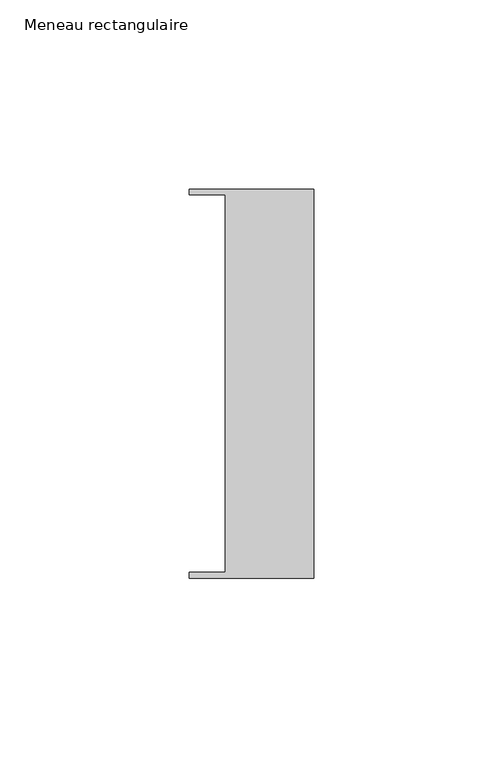
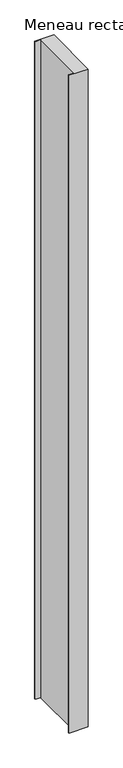
"""IFC4 building model written with IfcOpenShell, lengths in millimetres: member geometry, Meneau rectangulaire."""

from ifc_helpers import new_model, si_unit, frame, origin, place, context, project, spatial, polyline, outline, extrude, source, transform, mapped, element, save


def meneau_rectangulaire_bbb4998a(model_context):
    return source(origin(), model_context, "Body", "SweptSolid", [
        extrude(outline(polyline([(-33.0, 51.4622428), (0.0, 51.4622428), (0.0, -51.4712299), (-33.0, -51.4712299), (-33.0, -49.9505712), (-23.4, -49.9505712), (-23.4, 49.9614402), (-33.0, 49.9614402), (-33.0, 51.4622428)])), frame((0.0, 0.0, -1200.0000003), z_axis=(0.0, 0.0, 1.0), x_axis=(1.0, 0.0, 0.0)), (0.0, 0.0, 1.0), 1200.0000003),
    ])


if __name__ == "__main__":
    model = new_model("IFC4")
    model_context = context("Model", 3, world=origin())
    ifc_project = project(units=[si_unit("LENGTHUNIT", "METRE", prefix="MILLI")], contexts=[model_context])
    site = spatial("IfcSite", under=ifc_project)
    building = spatial("IfcBuilding", under=site)
    placement = place(None, origin())
    meneau_rectangulaire_shape = meneau_rectangulaire_bbb4998a(model_context)
    element("IfcMember", 1, ObjectType="Meneau rectangulaire", at=placement, inside=building, context=model_context, shape_type="MappedRepresentation", body=[
        mapped(meneau_rectangulaire_shape, transform((0.0, 0.0, 0.0), x_axis=(1.0, 0.0, 0.0), y_axis=(0.0, 1.0, 0.0), z_axis=(0.0, 0.0, 1.0))),
    ])
    save(model, "model.ifc")
